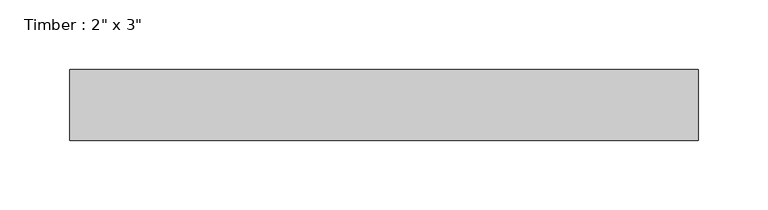
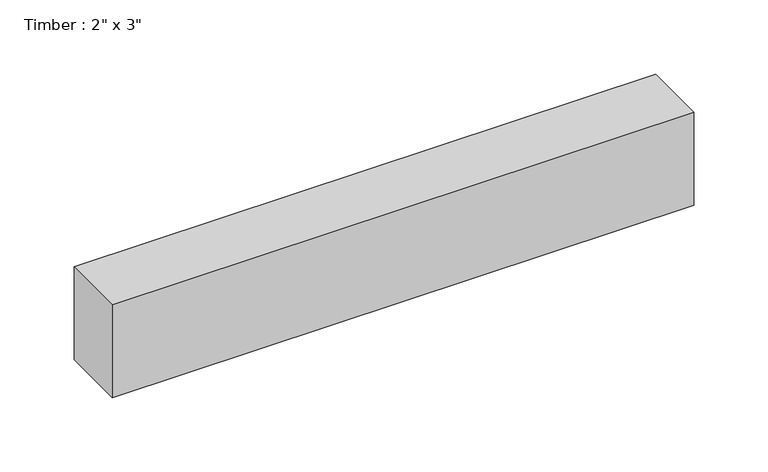
"""IFC4 building model written with IfcOpenShell, lengths in millimetres: beam geometry."""

from ifc_helpers import new_model, si_unit, frame, origin, place, context, project, spatial, polyline, outline, extrude, source, transform, mapped, element, save


def beam_3c144b5f(model_context):
    return source(origin(), model_context, "Body", "SweptSolid", [
        extrude(outline(polyline([(225.2977438, -25.4), (-225.2977438, -25.4), (-225.2977438, 25.4), (225.2977438, 25.4), (225.2977438, -25.4)])), frame((0.0, 0.0, -38.1), z_axis=(0.0, 0.0, 1.0), x_axis=(1.0, 0.0, 0.0)), (0.0, 0.0, 1.0), 76.2),
    ])


if __name__ == "__main__":
    model = new_model("IFC4")
    model_context = context("Model", 3, world=origin())
    ifc_project = project(units=[si_unit("LENGTHUNIT", "METRE", prefix="MILLI")], contexts=[model_context])
    site = spatial("IfcSite", under=ifc_project)
    building = spatial("IfcBuilding", under=site)
    placement = place(None, origin())
    beam_shape = beam_3c144b5f(model_context)
    element("IfcBeam", 1, ObjectType="Timber : 2\" x 3\"", at=placement, inside=building, context=model_context, shape_type="MappedRepresentation", body=[
        mapped(beam_shape, transform((0.0, 0.0, 0.0), x_axis=(1.0, 0.0, 0.0), y_axis=(0.0, 1.0, 0.0), z_axis=(0.0, 0.0, 1.0))),
    ])
    save(model, "model.ifc")
